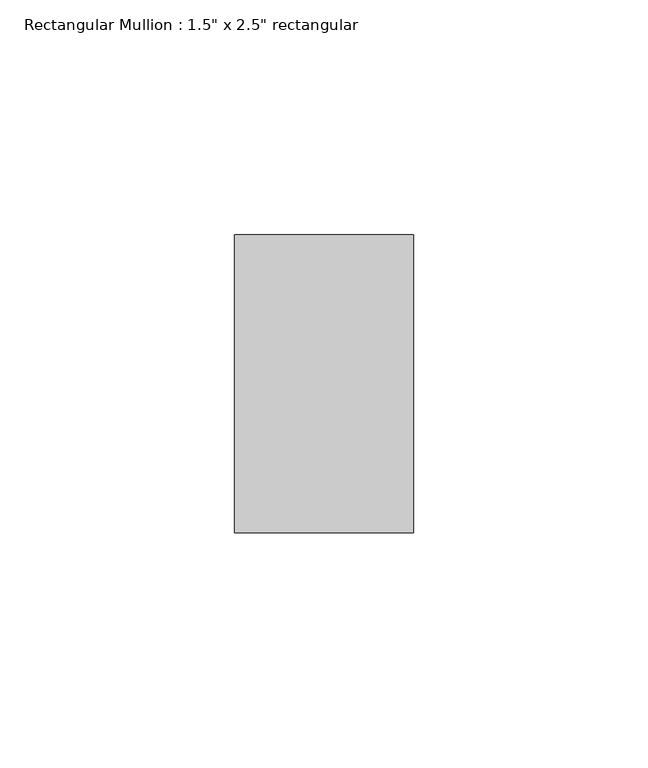
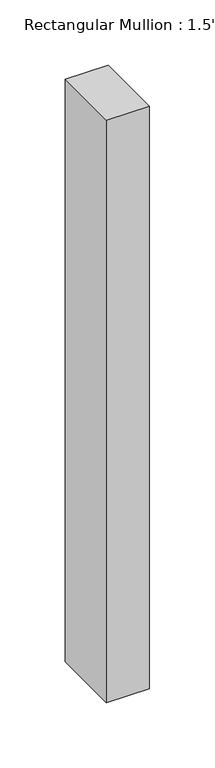
"""IFC4 building model written with IfcOpenShell, lengths in millimetres: member geometry."""

from ifc_helpers import new_model, si_unit, frame, origin, place, context, project, spatial, polyline, outline, extrude, source, transform, mapped, element, save


def member_72ea1f21(model_context):
    return source(origin(), model_context, "Body", "SweptSolid", [
        extrude(outline(polyline([(19.05, -19.05), (19.05, -82.55), (-19.05, -82.55), (-19.05, -19.05), (19.05, -19.05)])), frame((0.0, 0.0, -546.1), z_axis=(0.0, 0.0, 1.0), x_axis=(1.0, 0.0, 0.0)), (0.0, 0.0, 1.0), 546.1),
    ])


if __name__ == "__main__":
    model = new_model("IFC4")
    model_context = context("Model", 3, world=origin())
    ifc_project = project(units=[si_unit("LENGTHUNIT", "METRE", prefix="MILLI")], contexts=[model_context])
    site = spatial("IfcSite", under=ifc_project)
    building = spatial("IfcBuilding", under=site)
    placement = place(None, origin())
    member_shape = member_72ea1f21(model_context)
    element("IfcMember", 1, ObjectType="Rectangular Mullion : 1.5\" x 2.5\" rectangular", at=placement, inside=building, context=model_context, shape_type="MappedRepresentation", body=[
        mapped(member_shape, transform((0.0, 0.0, 0.0), x_axis=(1.0, 0.0, 0.0), y_axis=(0.0, 1.0, 0.0), z_axis=(0.0, 0.0, 1.0))),
    ])
    save(model, "model.ifc")
